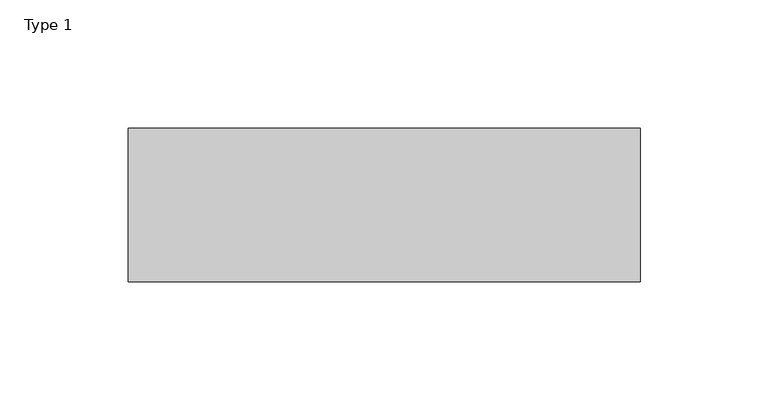
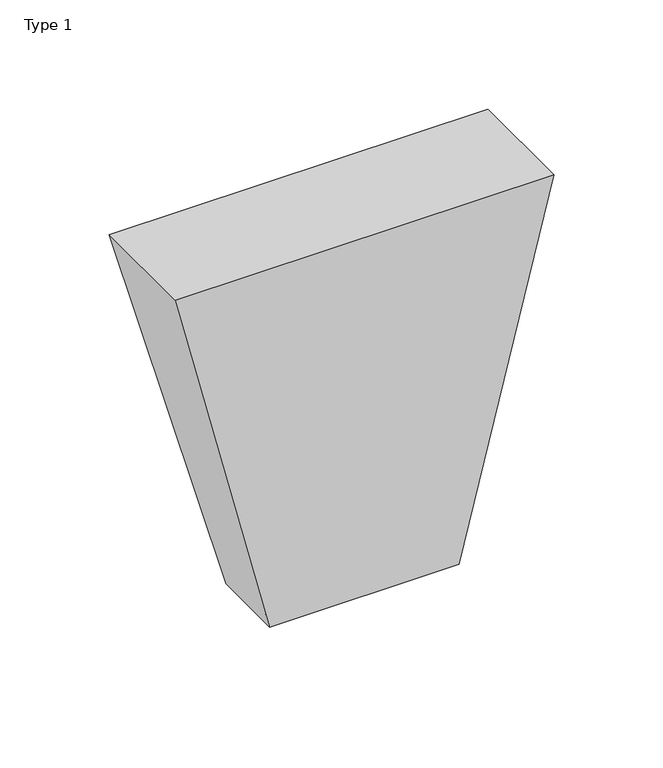
"""IFC4 building model written with IfcOpenShell, lengths in millimetres: proxy geometry, Type 1."""

from ifc_helpers import new_model, si_unit, origin, place, context, project, spatial, faceted_brep, source, transform, mapped, element, save


def type_1_da3cd5d1(model_context):
    return source(origin(), model_context, "Body", "Brep", [
        faceted_brep([(225.0, 181.0, 200.0), (225.0, 241.0, 200.0), (25.0, 241.0, 200.0), (25.0, 181.0, 200.0), (175.0, 181.0, 0.0), (75.0, 181.0, 0.0), (75.0, 221.0, 0.0), (175.0, 221.0, 0.0)], [[[0, 1, 2, 3]], [[4, 5, 6, 7]], [[4, 7, 1, 0]], [[7, 6, 2, 1]], [[6, 5, 3, 2]], [[5, 4, 0, 3]]]),
    ])


if __name__ == "__main__":
    model = new_model("IFC4")
    model_context = context("Model", 3, world=origin())
    ifc_project = project(units=[si_unit("LENGTHUNIT", "METRE", prefix="MILLI")], contexts=[model_context])
    site = spatial("IfcSite", under=ifc_project)
    building = spatial("IfcBuilding", under=site)
    placement = place(None, origin())
    type_1_shape = type_1_da3cd5d1(model_context)
    element("IfcBuildingElementProxy", 1, Name="Type 1", ObjectType="Type 1", at=placement, inside=building, context=model_context, shape_type="MappedRepresentation", body=[
        mapped(type_1_shape, transform((0.0, 0.0, 0.0), x_axis=(1.0, 0.0, 0.0), y_axis=(0.0, 1.0, 0.0), z_axis=(0.0, 0.0, 1.0))),
    ])
    save(model, "model.ifc")
